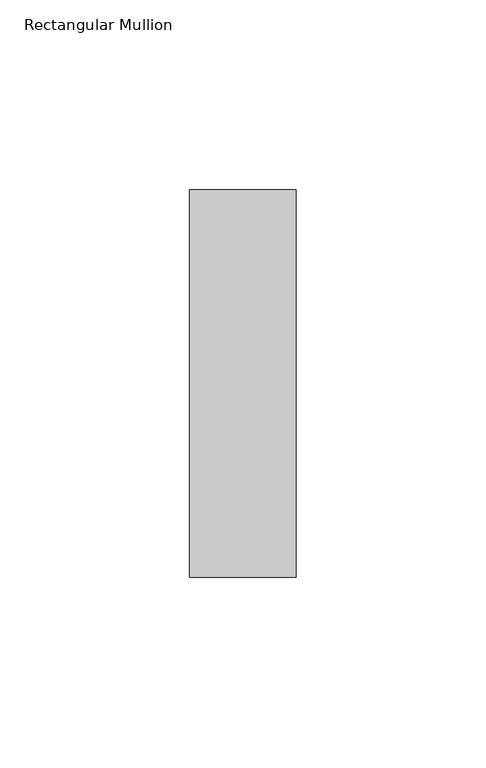
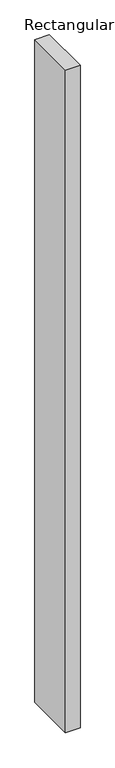
"""IFC4 building model written with IfcOpenShell, lengths in millimetres: member geometry, Rectangular Mullion."""

from ifc_helpers import new_model, si_unit, frame, origin, place, context, project, spatial, polyline, outline, extrude, source, transform, mapped, element, save


def rectangular_mullion_835ce154(model_context):
    return source(origin(), model_context, "Body", "SweptSolid", [
        extrude(outline(polyline([(-28.0, -51.0), (-28.0, 51.0), (0.0, 51.0), (0.0, -51.0), (-28.0, -51.0)])), frame((0.0, 0.0, -1350.0), z_axis=(0.0, 0.0, 1.0), x_axis=(1.0, 0.0, 0.0)), (0.0, 0.0, 1.0), 1350.0),
    ])


if __name__ == "__main__":
    model = new_model("IFC4")
    model_context = context("Model", 3, world=origin())
    ifc_project = project(units=[si_unit("LENGTHUNIT", "METRE", prefix="MILLI")], contexts=[model_context])
    site = spatial("IfcSite", under=ifc_project)
    building = spatial("IfcBuilding", under=site)
    placement = place(None, origin())
    rectangular_mullion_shape = rectangular_mullion_835ce154(model_context)
    element("IfcMember", 1, ObjectType="Rectangular Mullion", at=placement, inside=building, context=model_context, shape_type="MappedRepresentation", body=[
        mapped(rectangular_mullion_shape, transform((0.0, 0.0, 0.0), x_axis=(1.0, 0.0, 0.0), y_axis=(0.0, 1.0, 0.0), z_axis=(0.0, 0.0, 1.0))),
    ])
    save(model, "model.ifc")
